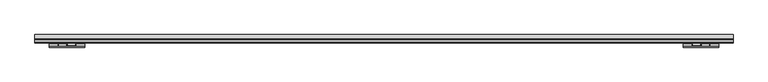
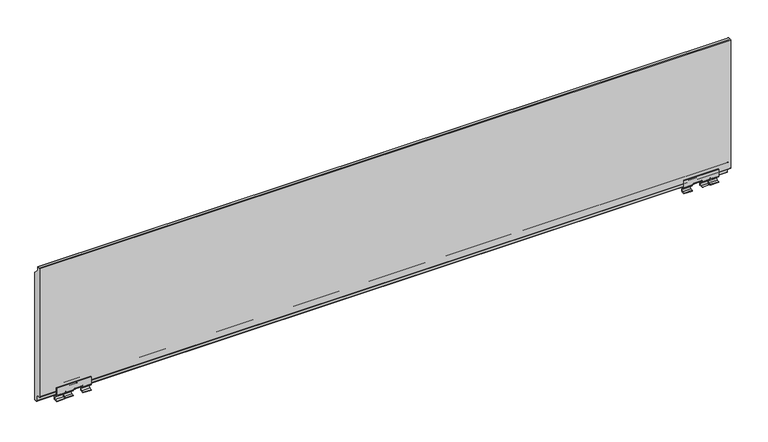
"""IFC4 building model written with IfcOpenShell, lengths in millimetres: plate geometry."""

from ifc_helpers import new_model, si_unit, point, frame, frame_2d, origin, place, context, project, spatial, polyline, circle_curve, trimmed, segment, composite_curve, outline, extrude, source, transform, mapped, element, save
from ifc_brep_helpers import plane_surface, cylinder_surface, revolved_surface, advanced_brep


def plate_a1be7d8f(model_context):
    return source(origin(), model_context, "Body", "SolidModel", [
        advanced_brep(
        [(714.0, 145.9999948, 31.5), (714.0, 145.9999948, 15.4668526), (714.0, 147.0251211, 12.9919788), (714.0, 152.777415, 7.2396849), (714.0, 151.2359876, 2.9821849), (714.0, 146.0, 2.5061856), (714.0, 146.0, 1.0), (714.0, 151.3717914, 1.4883451), (714.0, 153.8380752, 8.3003451), (714.0, 148.0857812, 14.052639), (714.0, 147.4999948, 15.4668526), (714.0, 147.4999948, 31.5), (639.0, 145.9999948, 31.5), (639.0, 147.4999948, 31.5), (639.0, 147.4999948, 15.4668526), (639.0, 148.0857812, 14.052639), (639.0, 153.8380752, 8.3003451), (639.0, 151.3717914, 1.4883451), (639.0, 146.0, 1.0), (639.0, 146.0, 2.5061856), (639.0, 151.2359876, 2.9821849), (639.0, 152.777415, 7.2396849), (639.0, 147.0251211, 12.9919788), (639.0, 145.9999948, 15.4668526), (657.0, 145.9999948, 15.4668526), (657.0, 145.9999948, 17.0), (658.0, 145.9999948, 18.0), (659.0, 145.9999948, 18.0), (675.0, 145.9999948, 18.0), (676.5, 145.9999948, 18.0), (678.0, 145.9999948, 16.5), (678.0, 145.9999948, 15.4668526), (694.0, 145.9999948, 15.4668526), (694.0, 145.9999948, 17.0), (696.0, 145.9999948, 17.0), (696.0, 145.9999948, 15.4668526), (696.0, 147.0251211, 12.9919788), (657.0, 147.0251211, 12.9919788), (678.0, 147.0251211, 12.9919788), (694.0, 147.0251211, 12.9919788), (696.0, 152.777415, 7.2396849), (657.0, 152.777415, 7.2396849), (678.0, 152.777415, 7.2396849), (694.0, 152.777415, 7.2396849), (696.0, 151.2359876, 2.9821849), (657.0, 151.2359876, 2.9821849), (678.0, 151.2359876, 2.9821849), (694.0, 151.2359876, 2.9821849), (696.0, 146.0, 2.5061856), (657.0, 146.0, 2.5061856), (678.0, 146.0, 2.5061856), (694.0, 146.0, 2.5061856), (696.0, 146.0, 1.0), (657.0, 146.0, 1.0), (678.0, 146.0, 2.2760911), (694.0, 146.0, 2.2760911), (696.0, 151.3717914, 1.4883451), (657.0, 151.3717914, 1.4883451), (696.0, 153.8380752, 8.3003451), (657.0, 153.8380752, 8.3003451), (678.0, 153.8380752, 8.3003451), (694.0, 153.8380752, 8.3003451), (694.0, 153.4152023, 2.2760911), (678.0, 153.4152023, 2.2760911), (696.0, 148.0857812, 14.052639), (657.0, 148.0857812, 14.052639), (678.0, 148.0857812, 14.052639), (694.0, 148.0857812, 14.052639), (696.0, 147.4999948, 15.4668526), (657.0, 147.4999948, 15.4668526), (678.0, 147.4999948, 15.4668526), (694.0, 147.4999948, 15.4668526), (696.0, 147.4999948, 17.0), (694.0, 147.4999948, 17.0), (678.0, 147.4999948, 16.5), (676.5, 147.4999948, 18.0), (675.0, 147.4999948, 18.0), (659.0, 147.4999948, 18.0), (658.0, 147.4999948, 18.0), (657.0, 147.4999948, 17.0), (675.0, 149.4999948, 16.0), (675.0, 147.5329983, 15.1050173), (675.0, 149.4999948, 14.5), (675.0, 162.5122327, 14.5), (675.0, 163.5122327, 13.5), (675.0, 162.9827046, 2.2610433), (675.0, 164.4813027, 2.1962053), (675.0, 165.011917, 13.460268), (675.0, 164.1630431, 15.3774518), (675.0, 164.7826556, 16.9101209), (675.0, 164.9290465, 21.0016788), (675.0, 163.4307254, 21.0726271), (675.0, 163.2845595, 16.9808581), (675.0, 162.3501888, 16.0), (659.0, 149.4999948, 16.0), (659.0, 162.3501888, 16.0), (659.0, 163.2845595, 16.9808581), (659.0, 163.4307254, 21.0726271), (659.0, 164.9290465, 21.0016788), (659.0, 164.7826556, 16.9101209), (659.0, 164.1630431, 15.3774518), (659.0, 165.011917, 13.460268), (659.0, 164.4813027, 2.1962053), (659.0, 162.9827046, 2.2610433), (659.0, 163.5122327, 13.5), (659.0, 162.5122327, 14.5), (659.0, 149.4999948, 14.5), (659.0, 147.5329983, 15.1050173)],
        [
            (0, 1),
            (1, 2, circle_curve(frame((714.0, 149.4999948, 15.4668526), z_axis=(1.0, 0.0, 0.0), x_axis=(0.0, 1.0, 0.0)), 3.5)),
            (2, 3),
            (3, 4, circle_curve(frame((714.0, 151.0096481, 5.4719179), z_axis=(-1.0, 0.0, 0.0), x_axis=(0.0, 1.0, 0.0)), 2.5)),
            (4, 5),
            (5, 6),
            (6, 7),
            (7, 8, circle_curve(frame((714.0, 151.0096481, 5.4719179), z_axis=(1.0, 0.0, 0.0), x_axis=(0.0, 1.0, 0.0)), 4.0)),
            (8, 9),
            (9, 10, circle_curve(frame((714.0, 149.4999948, 15.4668526), z_axis=(-1.0, 0.0, 0.0), x_axis=(0.0, 1.0, 0.0)), 2.0)),
            (10, 11),
            (11, 0),
            (12, 13),
            (13, 14),
            (14, 15, circle_curve(frame((639.0, 149.4999948, 15.4668526), z_axis=(1.0, 0.0, 0.0), x_axis=(0.0, 1.0, 0.0)), 2.0)),
            (15, 16),
            (16, 17, circle_curve(frame((639.0, 151.0096481, 5.4719179), z_axis=(-1.0, 0.0, 0.0), x_axis=(0.0, 1.0, 0.0)), 4.0)),
            (17, 18),
            (18, 19),
            (19, 20),
            (20, 21, circle_curve(frame((639.0, 151.0096481, 5.4719179), z_axis=(1.0, 0.0, 0.0), x_axis=(0.0, 1.0, 0.0)), 2.5)),
            (21, 22),
            (22, 23, circle_curve(frame((639.0, 149.4999948, 15.4668526), z_axis=(-1.0, 0.0, 0.0), x_axis=(0.0, 1.0, 0.0)), 3.5)),
            (23, 12),
            (0, 12),
            (23, 24),
            (24, 25),
            (25, 26, circle_curve(frame((658.0, 145.9999948, 17.0), z_axis=(0.0, 1.0, 0.0), x_axis=(-1.0, 0.0, 0.0)), 1.0)),
            (26, 27),
            (27, 28),
            (28, 29),
            (29, 30, circle_curve(frame((676.5, 145.9999948, 16.5), z_axis=(0.0, 1.0, 0.0), x_axis=(-1.0, 0.0, 0.0)), 1.5)),
            (30, 31),
            (31, 32),
            (32, 33),
            (33, 34, circle_curve(frame((695.0, 145.9999948, 17.0), z_axis=(0.0, 1.0, 0.0), x_axis=(-1.0, 0.0, 0.0)), 1.0)),
            (34, 35),
            (35, 1),
            (35, 36, circle_curve(frame((696.0, 149.4999948, 15.4668526), z_axis=(1.0, 0.0, 0.0), x_axis=(0.0, 1.0, 0.0)), 3.5)),
            (36, 2),
            (22, 37),
            (37, 24, circle_curve(frame((657.0, 149.4999948, 15.4668526), z_axis=(-1.0, 0.0, 0.0), x_axis=(0.0, 1.0, 0.0)), 3.5)),
            (31, 38, circle_curve(frame((678.0, 149.4999948, 15.4668526), z_axis=(1.0, 0.0, 0.0), x_axis=(0.0, 1.0, 0.0)), 3.5)),
            (38, 39),
            (39, 32, circle_curve(frame((694.0, 149.4999948, 15.4668526), z_axis=(-1.0, 0.0, 0.0), x_axis=(0.0, 1.0, 0.0)), 3.5)),
            (36, 40),
            (40, 3),
            (21, 41),
            (41, 37),
            (38, 42),
            (42, 43),
            (43, 39),
            (40, 44, circle_curve(frame((696.0, 151.0096481, 5.4719179), z_axis=(-1.0, 0.0, 0.0), x_axis=(0.0, 1.0, 0.0)), 2.5)),
            (44, 4),
            (20, 45),
            (45, 41, circle_curve(frame((657.0, 151.0096481, 5.4719179), z_axis=(1.0, 0.0, 0.0), x_axis=(0.0, 1.0, 0.0)), 2.5)),
            (42, 46, circle_curve(frame((678.0, 151.0096481, 5.4719179), z_axis=(-1.0, 0.0, 0.0), x_axis=(0.0, 1.0, 0.0)), 2.5)),
            (46, 47),
            (47, 43, circle_curve(frame((694.0, 151.0096481, 5.4719179), z_axis=(1.0, 0.0, 0.0), x_axis=(0.0, 1.0, 0.0)), 2.5)),
            (44, 48),
            (48, 5),
            (19, 49),
            (49, 45),
            (46, 50),
            (50, 51),
            (51, 47),
            (48, 52),
            (52, 6),
            (18, 53),
            (53, 49),
            (50, 54),
            (54, 55),
            (55, 51),
            (52, 56),
            (56, 7),
            (17, 57),
            (57, 53),
            (56, 58, circle_curve(frame((696.0, 151.0096481, 5.4719179), z_axis=(1.0, 0.0, 0.0), x_axis=(0.0, 1.0, 0.0)), 4.0)),
            (58, 8),
            (16, 59),
            (59, 57, circle_curve(frame((657.0, 151.0096481, 5.4719179), z_axis=(-1.0, 0.0, 0.0), x_axis=(0.0, 1.0, 0.0)), 4.0)),
            (60, 61),
            (61, 62, circle_curve(frame((694.0, 151.0096481, 5.4719179), z_axis=(-1.0, 0.0, 0.0), x_axis=(0.0, 1.0, 0.0)), 4.0)),
            (62, 63),
            (63, 60, circle_curve(frame((678.0, 151.0096481, 5.4719179), z_axis=(1.0, 0.0, 0.0), x_axis=(0.0, 1.0, 0.0)), 4.0)),
            (58, 64),
            (64, 9),
            (15, 65),
            (65, 59),
            (60, 66),
            (66, 67),
            (67, 61),
            (64, 68, circle_curve(frame((696.0, 149.4999948, 15.4668526), z_axis=(-1.0, 0.0, 0.0), x_axis=(0.0, 1.0, 0.0)), 2.0)),
            (68, 10),
            (14, 69),
            (69, 65, circle_curve(frame((657.0, 149.4999948, 15.4668526), z_axis=(1.0, 0.0, 0.0), x_axis=(0.0, 1.0, 0.0)), 2.0)),
            (66, 70, circle_curve(frame((678.0, 149.4999948, 15.4668526), z_axis=(-1.0, 0.0, 0.0), x_axis=(0.0, 1.0, 0.0)), 2.0)),
            (70, 71),
            (71, 67, circle_curve(frame((694.0, 149.4999948, 15.4668526), z_axis=(1.0, 0.0, 0.0), x_axis=(0.0, 1.0, 0.0)), 2.0)),
            (68, 72),
            (72, 73, circle_curve(frame((695.0, 147.4999948, 17.0), z_axis=(0.0, -1.0, 0.0), x_axis=(-1.0, 0.0, 0.0)), 1.0)),
            (73, 71),
            (70, 74),
            (74, 75, circle_curve(frame((676.5, 147.4999948, 16.5), z_axis=(0.0, -1.0, 0.0), x_axis=(-1.0, 0.0, 0.0)), 1.5)),
            (75, 76),
            (76, 77),
            (77, 78),
            (78, 79, circle_curve(frame((658.0, 147.4999948, 17.0), z_axis=(0.0, -1.0, 0.0), x_axis=(-1.0, 0.0, 0.0)), 1.0)),
            (79, 69),
            (13, 11),
            (34, 72),
            (79, 25),
            (78, 26),
            (29, 75),
            (74, 30),
            (63, 54),
            (62, 55),
            (73, 33),
            (28, 76),
            (77, 27),
            (80, 76, circle_curve(frame((675.0, 149.4999948, 18.0), z_axis=(-1.0, 0.0, 0.0), x_axis=(0.0, 1.0, 0.0)), 2.0)),
            (28, 81, circle_curve(frame((675.0, 149.4999948, 18.0), z_axis=(1.0, 0.0, 0.0), x_axis=(0.0, 1.0, 0.0)), 3.5)),
            (81, 82, circle_curve(frame((675.0, 149.4999948, 18.0), z_axis=(1.0, 0.0, 0.0), x_axis=(0.0, 1.0, 0.0)), 3.5)),
            (82, 83),
            (83, 84, circle_curve(frame((675.0, 162.5122327, 13.5), z_axis=(-1.0, 0.0, 0.0), x_axis=(0.0, 1.0, 0.0)), 1.0)),
            (84, 85),
            (85, 86),
            (86, 87),
            (87, 88, circle_curve(frame((675.0, 162.5122327, 13.5), z_axis=(1.0, 0.0, 0.0), x_axis=(0.0, 1.0, 0.0)), 2.5)),
            (88, 89, circle_curve(frame((675.0, 162.2838517, 17.0287329), z_axis=(1.0, 0.0, 0.0), x_axis=(0.0, 1.0, 0.0)), 2.5016174)),
            (89, 90),
            (90, 91),
            (91, 92),
            (92, 93, circle_curve(frame((675.0, 162.2222746, 17.0573241), z_axis=(-1.0, 0.0, 0.0), x_axis=(0.0, 1.0, 0.0)), 1.0650334)),
            (93, 80),
            (94, 95),
            (95, 96, circle_curve(frame((659.0, 162.2222746, 17.0573241), z_axis=(1.0, 0.0, 0.0), x_axis=(0.0, 1.0, 0.0)), 1.0650334)),
            (96, 97),
            (97, 98),
            (98, 99),
            (99, 100, circle_curve(frame((659.0, 162.2838517, 17.0287329), z_axis=(-1.0, 0.0, 0.0), x_axis=(0.0, 1.0, 0.0)), 2.5016174)),
            (100, 101, circle_curve(frame((659.0, 162.5122327, 13.5), z_axis=(-1.0, 0.0, 0.0), x_axis=(0.0, 1.0, 0.0)), 2.5)),
            (101, 102),
            (102, 103),
            (103, 104),
            (104, 105, circle_curve(frame((659.0, 162.5122327, 13.5), z_axis=(1.0, 0.0, 0.0), x_axis=(0.0, 1.0, 0.0)), 1.0)),
            (105, 106),
            (106, 107, circle_curve(frame((659.0, 149.4999948, 18.0), z_axis=(-1.0, 0.0, 0.0), x_axis=(0.0, 1.0, 0.0)), 3.5)),
            (107, 27, circle_curve(frame((659.0, 149.4999948, 18.0), z_axis=(-1.0, 0.0, 0.0), x_axis=(0.0, 1.0, 0.0)), 3.5)),
            (77, 94, circle_curve(frame((659.0, 149.4999948, 18.0), z_axis=(1.0, 0.0, 0.0), x_axis=(0.0, 1.0, 0.0)), 2.0)),
            (82, 106),
            (105, 83),
            (104, 84),
            (103, 85),
            (102, 86),
            (101, 87),
            (100, 88),
            (99, 89),
            (98, 90),
            (97, 91),
            (96, 92),
            (95, 93),
            (94, 80),
            (107, 81),
        ],
        [
            plane_surface(frame((714.0, 146.0, 31.5), z_axis=(1.0, 0.0, 0.0), x_axis=(0.0, 1.0, 0.0))),
            plane_surface(frame((639.0, 146.0, 31.5), z_axis=(-1.0, 0.0, 0.0), x_axis=(0.0, 1.0, 0.0))),
            plane_surface(frame((714.0, 145.9999948, 31.5), z_axis=(0.0, -1.0, 0.0), x_axis=(-1.0, 0.0, 0.0))),
            cylinder_surface(frame((714.0, 149.4999948, 15.4668526), z_axis=(1.0, 0.0, 0.0), x_axis=(0.0, 1.0, 0.0)), 3.5),
            plane_surface(frame((714.0, 147.0251211, 12.9919788), z_axis=(0.0, -0.7071067811925984, -0.7071067811804966), x_axis=(-1.0, 0.0, 0.0))),
            revolved_surface(polyline([(696.0, 153.5096481, 5.4719179), (714.0, 153.5096481, 5.4719179)]), (714.0, 151.0096481, 5.4719179), (-1.0, 0.0, 0.0)),
            revolved_surface(polyline([(639.0, 153.5096481, 5.4719179), (657.0, 153.5096481, 5.4719179)]), (714.0, 151.0096481, 5.4719179), (-1.0, 0.0, 0.0)),
            revolved_surface(polyline([(678.0, 153.5096481, 5.4719179), (694.0, 153.5096481, 5.4719179)]), (714.0, 151.0096481, 5.4719179), (-1.0, 0.0, 0.0)),
            plane_surface(frame((714.0, 151.2359876, 2.9821849), z_axis=(0.0, -0.09053583112531925, 0.9958931987329002), x_axis=(-1.0, 0.0, 0.0))),
            plane_surface(frame((714.0, 146.0, 2.5061856), z_axis=(0.0, -1.0, 0.0), x_axis=(-1.0, 0.0, 0.0))),
            plane_surface(frame((714.0, 146.0, 1.0), z_axis=(0.0, 0.09053583112531918, -0.9958931987329002), x_axis=(-1.0, 0.0, 0.0))),
            cylinder_surface(frame((714.0, 151.0096481, 5.4719179), z_axis=(1.0, 0.0, 0.0), x_axis=(0.0, 1.0, 0.0)), 4.0),
            plane_surface(frame((714.0, 153.8380752, 8.3003451), z_axis=(0.0, 0.707106781174972, 0.707106781198123), x_axis=(-1.0, 0.0, 0.0))),
            revolved_surface(polyline([(696.0, 151.4999948, 15.4668526), (714.0, 151.4999948, 15.4668526)]), (714.0, 149.4999948, 15.4668526), (-1.0, 0.0, 0.0)),
            revolved_surface(polyline([(639.0, 151.4999948, 15.4668526), (657.0, 151.4999948, 15.4668526)]), (714.0, 149.4999948, 15.4668526), (-1.0, 0.0, 0.0)),
            revolved_surface(polyline([(678.0, 151.4999948, 15.4668526), (694.0, 151.4999948, 15.4668526)]), (714.0, 149.4999948, 15.4668526), (-1.0, 0.0, 0.0)),
            plane_surface(frame((714.0, 147.4999948, 15.4668526), z_axis=(0.0, 1.0, 0.0), x_axis=(-1.0, 0.0, 0.0))),
            plane_surface(frame((714.0, 147.4999948, 31.5), z_axis=(0.0, 0.0, 1.0), x_axis=(-1.0, 0.0, 0.0))),
            plane_surface(frame((696.0, 168.7101839, 17.0), z_axis=(-1.0, 0.0, 1.8190105671722633e-12), x_axis=(0.0, -1.0, 0.0))),
            plane_surface(frame((657.0, 168.7101839, 1.0), z_axis=(1.0, 0.0, 0.0), x_axis=(0.0, -1.0, 0.0))),
            revolved_surface(polyline([(657.0, 147.4999948, 17.0), (657.0, 145.9999948, 17.0)]), (658.0, 114.0182971, 17.0), (0.0, 1.0, 0.0)),
            revolved_surface(polyline([(675.0, 147.4999948, 16.5), (675.0, 145.9999948, 16.5)]), (676.5, 114.0182971, 16.5), (0.0, 1.0, 0.0)),
            plane_surface(frame((678.0, 168.7101839, 16.5), z_axis=(-1.0, 0.0, 4.092288451932539e-12), x_axis=(0.0, -1.0, 0.0))),
            plane_surface(frame((678.0, 168.7101839, 2.2760911), z_axis=(0.0, 0.0, -1.0), x_axis=(0.0, -1.0, 0.0))),
            plane_surface(frame((694.0, 168.7101839, 2.2760911), z_axis=(1.0, 0.0, 0.0), x_axis=(0.0, -1.0, 0.0))),
            revolved_surface(polyline([(694.0, 147.4999948, 17.0), (694.0, 145.9999948, 17.0)]), (695.0, 114.0182971, 17.0), (0.0, 1.0, 0.0)),
            plane_surface(frame((658.0, 168.7101839, 18.0), z_axis=(-1.5730840053947424e-12, 0.0, -1.0), x_axis=(0.0, -1.0, 0.0))),
            plane_surface(frame((675.0, 146.0, 21.0), z_axis=(1.0, 0.0, 0.0), x_axis=(0.0, 1.0, 0.0))),
            plane_surface(frame((659.0, 146.0, 21.0), z_axis=(-1.0, 0.0, 0.0), x_axis=(0.0, 1.0, 0.0))),
            plane_surface(frame((675.0, 149.4999948, 14.5), z_axis=(0.0, 0.0, -1.0), x_axis=(-1.0, 0.0, 0.0))),
            revolved_surface(polyline([(659.0, 163.5122327, 13.5), (675.0, 163.5122327, 13.5)]), (675.0, 162.5122327, 13.5), (-1.0, 0.0, 0.0)),
            plane_surface(frame((675.0, 163.5122327, 13.5), z_axis=(0.0, -0.9988919134544821, 0.04706320468522484), x_axis=(-1.0, 0.0, 0.0))),
            plane_surface(frame((675.0, 162.9827046, 2.2610433), z_axis=(0.0, -0.043225347627194544, -0.9990653478739557), x_axis=(-1.0, 0.0, 0.0))),
            plane_surface(frame((675.0, 164.4813027, 2.1962053), z_axis=(0.0, 0.9988923163391343, -0.04705465289043034), x_axis=(-1.0, 0.0, 0.0))),
            cylinder_surface(frame((675.0, 162.5122327, 13.5), z_axis=(1.0, 0.0, 0.0), x_axis=(0.0, 1.0, 0.0)), 2.5),
            cylinder_surface(frame((675.0, 162.2838517, 17.0287329), z_axis=(1.0, 0.0, 0.0), x_axis=(0.0, 1.0, 0.0)), 2.5016174),
            plane_surface(frame((675.0, 164.7826556, 16.9101209), z_axis=(0.0, 0.9993605534215647, -0.03575589832382789), x_axis=(-1.0, 0.0, 0.0))),
            plane_surface(frame((675.0, 164.9290465, 21.0016788), z_axis=(0.0, 0.04729883716213145, 0.9988807836789685), x_axis=(-1.0, 0.0, 0.0))),
            plane_surface(frame((675.0, 163.4307254, 21.0726271), z_axis=(0.0, -0.9993625820108536, 0.03569915512445818), x_axis=(-1.0, 0.0, 0.0))),
            revolved_surface(polyline([(659.0, 163.287308, 17.0573241), (675.0, 163.287308, 17.0573241)]), (675.0, 162.2222746, 17.0573241), (-1.0, 0.0, 0.0)),
            plane_surface(frame((675.0, 162.3501888, 16.0), z_axis=(0.0, 0.0, 1.0), x_axis=(-1.0, 0.0, 0.0))),
            revolved_surface(polyline([(659.0, 151.4999948, 18.0), (675.0, 151.4999948, 18.0)]), (675.0, 149.4999948, 18.0), (-1.0, 0.0, 0.0)),
            cylinder_surface(frame((675.0, 149.4999948, 18.0), z_axis=(1.0, 0.0, 0.0), x_axis=(0.0, 1.0, 0.0)), 3.5),
        ],
        [
            (0, [[1, 2, 3, 4, 5, 6, 7, 8, 9, 10, 11, 12]]),
            (1, [[13, 14, 15, 16, 17, 18, 19, 20, 21, 22, 23, 24]]),
            (2, [[-1, 25, -24, 26, 27, 28, 29, 30, 31, 32, 33, 34, 35, 36, 37, 38]]),
            (3, [[-2, -38, 39, 40]]),
            (3, [[-23, 41, 42, -26]]),
            (3, [[-34, 43, 44, 45]]),
            (4, [[-3, -40, 46, 47]]),
            (4, [[-22, 48, 49, -41]]),
            (4, [[-44, 50, 51, 52]]),
            (5, [[-4, -47, 53, 54]]),
            (6, [[-21, 55, 56, -48]]),
            (7, [[-51, 57, 58, 59]]),
            (8, [[-5, -54, 60, 61]]),
            (8, [[-20, 62, 63, -55]]),
            (8, [[-58, 64, 65, 66]]),
            (9, [[-6, -61, 67, 68]]),
            (9, [[-19, 69, 70, -62]]),
            (9, [[-65, 71, 72, 73]]),
            (10, [[-7, -68, 74, 75]]),
            (10, [[-18, 76, 77, -69]]),
            (11, [[-8, -75, 78, 79]]),
            (11, [[-17, 80, 81, -76]]),
            (11, [[82, 83, 84, 85]]),
            (12, [[-9, -79, 86, 87]]),
            (12, [[-16, 88, 89, -80]]),
            (12, [[-82, 90, 91, 92]]),
            (13, [[-10, -87, 93, 94]]),
            (14, [[-15, 95, 96, -88]]),
            (15, [[-91, 97, 98, 99]]),
            (16, [[-11, -94, 100, 101, 102, -98, 103, 104, 105, 106, 107, 108, 109, -95, -14, 110]]),
            (17, [[-12, -110, -13, -25]]),
            (18, [[111, -100, -93, -86, -78, -74, -67, -60, -53, -46, -39, -37]]),
            (19, [[112, -27, -42, -49, -56, -63, -70, -77, -81, -89, -96, -109]]),
            (20, [[-112, -108, 113, -28]]),
            (21, [[114, -104, 115, -32]]),
            (22, [[-115, -103, -97, -90, -85, 116, -71, -64, -57, -50, -43, -33]]),
            (23, [[-116, -84, 117, -72]]),
            (24, [[-117, -83, -92, -99, -102, 118, -35, -45, -52, -59, -66, -73]]),
            (25, [[-111, -36, -118, -101]]),
            (26, [[-114, -31, 119, -105]]),
            (26, [[-113, -107, 120, -29]]),
            (27, [[121, -119, 122, 123, 124, 125, 126, 127, 128, 129, 130, 131, 132, 133, 134, 135]]),
            (28, [[136, 137, 138, 139, 140, 141, 142, 143, 144, 145, 146, 147, 148, 149, -120, 150]]),
            (29, [[-124, 151, -147, 152]]),
            (30, [[-125, -152, -146, 153]]),
            (31, [[-126, -153, -145, 154]]),
            (32, [[-127, -154, -144, 155]]),
            (33, [[-128, -155, -143, 156]]),
            (34, [[-129, -156, -142, 157]]),
            (35, [[-130, -157, -141, 158]]),
            (36, [[-131, -158, -140, 159]]),
            (37, [[-132, -159, -139, 160]]),
            (38, [[-133, -160, -138, 161]]),
            (39, [[-134, -161, -137, 162]]),
            (40, [[-135, -162, -136, 163]]),
            (41, [[-121, -163, -150, -106]]),
            (42, [[-122, -30, -149, 164]]),
            (42, [[-123, -164, -148, -151]]),
        ],
    ),
        advanced_brep(
        [(-714.0, 145.9999948, 31.5), (-714.0, 147.4999948, 31.5), (-714.0, 147.4999948, 15.4668526), (-714.0, 148.0857812, 14.052639), (-714.0, 153.8380752, 8.3003451), (-714.0, 151.3717914, 1.4883451), (-714.0, 146.0, 1.0), (-714.0, 146.0, 2.5061856), (-714.0, 151.2359876, 2.9821849), (-714.0, 152.777415, 7.2396849), (-714.0, 147.0251211, 12.9919788), (-714.0, 145.9999948, 15.4668526), (-639.0, 145.9999948, 31.5), (-639.0, 145.9999948, 15.4668526), (-639.0, 147.0251211, 12.9919788), (-639.0, 152.777415, 7.2396849), (-639.0, 151.2359876, 2.9821849), (-639.0, 146.0, 2.5061856), (-639.0, 146.0, 1.0), (-639.0, 151.3717914, 1.4883451), (-639.0, 153.8380752, 8.3003451), (-639.0, 148.0857812, 14.052639), (-639.0, 147.4999948, 15.4668526), (-639.0, 147.4999948, 31.5), (-696.0, 145.9999948, 15.4668526), (-696.0, 145.9999948, 17.0), (-694.0, 145.9999948, 17.0), (-694.0, 145.9999948, 15.4668526), (-678.0, 145.9999948, 15.4668526), (-678.0, 145.9999948, 16.5), (-676.5, 145.9999948, 18.0), (-675.0, 145.9999948, 18.0), (-659.0, 145.9999948, 18.0), (-658.0, 145.9999948, 18.0), (-657.0, 145.9999948, 17.0), (-657.0, 145.9999948, 15.4668526), (-657.0, 147.0251211, 12.9919788), (-694.0, 147.0251211, 12.9919788), (-678.0, 147.0251211, 12.9919788), (-696.0, 147.0251211, 12.9919788), (-657.0, 152.777415, 7.2396849), (-694.0, 152.777415, 7.2396849), (-678.0, 152.777415, 7.2396849), (-696.0, 152.777415, 7.2396849), (-657.0, 151.2359876, 2.9821849), (-694.0, 151.2359876, 2.9821849), (-678.0, 151.2359876, 2.9821849), (-696.0, 151.2359876, 2.9821849), (-657.0, 146.0, 2.5061856), (-694.0, 146.0, 2.5061856), (-678.0, 146.0, 2.5061856), (-696.0, 146.0, 2.5061856), (-657.0, 146.0, 1.0), (-694.0, 146.0, 2.2760911), (-678.0, 146.0, 2.2760911), (-696.0, 146.0, 1.0), (-657.0, 151.3717914, 1.4883451), (-696.0, 151.3717914, 1.4883451), (-657.0, 153.8380752, 8.3003451), (-678.0, 153.8380752, 8.3003451), (-678.0, 153.4152023, 2.2760911), (-694.0, 153.4152023, 2.2760911), (-694.0, 153.8380752, 8.3003451), (-696.0, 153.8380752, 8.3003451), (-657.0, 148.0857812, 14.052639), (-694.0, 148.0857812, 14.052639), (-678.0, 148.0857812, 14.052639), (-696.0, 148.0857812, 14.052639), (-657.0, 147.4999948, 15.4668526), (-694.0, 147.4999948, 15.4668526), (-678.0, 147.4999948, 15.4668526), (-696.0, 147.4999948, 15.4668526), (-657.0, 147.4999948, 17.0), (-658.0, 147.4999948, 18.0), (-659.0, 147.4999948, 18.0), (-675.0, 147.4999948, 18.0), (-676.5, 147.4999948, 18.0), (-678.0, 147.4999948, 16.5), (-694.0, 147.4999948, 17.0), (-696.0, 147.4999948, 17.0), (-675.0, 149.4999948, 16.0), (-675.0, 162.3501888, 16.0), (-675.0, 163.2845595, 16.9808581), (-675.0, 163.4307254, 21.0726271), (-675.0, 164.9290465, 21.0016788), (-675.0, 164.7826556, 16.9101209), (-675.0, 164.1630431, 15.3774518), (-675.0, 165.011917, 13.460268), (-675.0, 164.4813027, 2.1962053), (-675.0, 162.9827046, 2.2610433), (-675.0, 163.5122327, 13.5), (-675.0, 162.5122327, 14.5), (-675.0, 149.4999948, 14.5), (-675.0, 147.5329983, 15.1050173), (-659.0, 149.4999948, 16.0), (-659.0, 147.5329983, 15.1050173), (-659.0, 149.4999948, 14.5), (-659.0, 162.5122327, 14.5), (-659.0, 163.5122327, 13.5), (-659.0, 162.9827046, 2.2610433), (-659.0, 164.4813027, 2.1962053), (-659.0, 165.011917, 13.460268), (-659.0, 164.1630431, 15.3774518), (-659.0, 164.7826556, 16.9101209), (-659.0, 164.9290465, 21.0016788), (-659.0, 163.4307254, 21.0726271), (-659.0, 163.2845595, 16.9808581), (-659.0, 162.3501888, 16.0)],
        [
            (0, 1),
            (1, 2),
            (2, 3, circle_curve(frame((-714.0, 149.4999948, 15.4668526), z_axis=(1.0, 0.0, 0.0), x_axis=(0.0, 1.0, 0.0)), 2.0)),
            (3, 4),
            (4, 5, circle_curve(frame((-714.0, 151.0096481, 5.4719179), z_axis=(-1.0, 0.0, 0.0), x_axis=(0.0, 1.0, 0.0)), 4.0)),
            (5, 6),
            (6, 7),
            (7, 8),
            (8, 9, circle_curve(frame((-714.0, 151.0096481, 5.4719179), z_axis=(1.0, 0.0, 0.0), x_axis=(0.0, 1.0, 0.0)), 2.5)),
            (9, 10),
            (10, 11, circle_curve(frame((-714.0, 149.4999948, 15.4668526), z_axis=(-1.0, 0.0, 0.0), x_axis=(0.0, 1.0, 0.0)), 3.5)),
            (11, 0),
            (12, 13),
            (13, 14, circle_curve(frame((-639.0, 149.4999948, 15.4668526), z_axis=(1.0, 0.0, 0.0), x_axis=(0.0, 1.0, 0.0)), 3.5)),
            (14, 15),
            (15, 16, circle_curve(frame((-639.0, 151.0096481, 5.4719179), z_axis=(-1.0, 0.0, 0.0), x_axis=(0.0, 1.0, 0.0)), 2.5)),
            (16, 17),
            (17, 18),
            (18, 19),
            (19, 20, circle_curve(frame((-639.0, 151.0096481, 5.4719179), z_axis=(1.0, 0.0, 0.0), x_axis=(0.0, 1.0, 0.0)), 4.0)),
            (20, 21),
            (21, 22, circle_curve(frame((-639.0, 149.4999948, 15.4668526), z_axis=(-1.0, 0.0, 0.0), x_axis=(0.0, 1.0, 0.0)), 2.0)),
            (22, 23),
            (23, 12),
            (11, 24),
            (24, 25),
            (25, 26, circle_curve(frame((-695.0, 145.9999948, 17.0), z_axis=(0.0, 1.0, 0.0), x_axis=(1.0, 0.0, 0.0)), 1.0)),
            (26, 27),
            (27, 28),
            (28, 29),
            (29, 30, circle_curve(frame((-676.5, 145.9999948, 16.5), z_axis=(0.0, 1.0, 0.0), x_axis=(1.0, 0.0, 0.0)), 1.5)),
            (30, 31),
            (31, 32),
            (32, 33),
            (33, 34, circle_curve(frame((-658.0, 145.9999948, 17.0), z_axis=(0.0, 1.0, 0.0), x_axis=(1.0, 0.0, 0.0)), 1.0)),
            (34, 35),
            (35, 13),
            (12, 0),
            (35, 36, circle_curve(frame((-657.0, 149.4999948, 15.4668526), z_axis=(1.0, 0.0, 0.0), x_axis=(0.0, 1.0, 0.0)), 3.5)),
            (36, 14),
            (27, 37, circle_curve(frame((-694.0, 149.4999948, 15.4668526), z_axis=(1.0, 0.0, 0.0), x_axis=(0.0, 1.0, 0.0)), 3.5)),
            (37, 38),
            (38, 28, circle_curve(frame((-678.0, 149.4999948, 15.4668526), z_axis=(-1.0, 0.0, 0.0), x_axis=(0.0, 1.0, 0.0)), 3.5)),
            (10, 39),
            (39, 24, circle_curve(frame((-696.0, 149.4999948, 15.4668526), z_axis=(-1.0, 0.0, 0.0), x_axis=(0.0, 1.0, 0.0)), 3.5)),
            (36, 40),
            (40, 15),
            (37, 41),
            (41, 42),
            (42, 38),
            (9, 43),
            (43, 39),
            (40, 44, circle_curve(frame((-657.0, 151.0096481, 5.4719179), z_axis=(-1.0, 0.0, 0.0), x_axis=(0.0, 1.0, 0.0)), 2.5)),
            (44, 16),
            (41, 45, circle_curve(frame((-694.0, 151.0096481, 5.4719179), z_axis=(-1.0, 0.0, 0.0), x_axis=(0.0, 1.0, 0.0)), 2.5)),
            (45, 46),
            (46, 42, circle_curve(frame((-678.0, 151.0096481, 5.4719179), z_axis=(1.0, 0.0, 0.0), x_axis=(0.0, 1.0, 0.0)), 2.5)),
            (8, 47),
            (47, 43, circle_curve(frame((-696.0, 151.0096481, 5.4719179), z_axis=(1.0, 0.0, 0.0), x_axis=(0.0, 1.0, 0.0)), 2.5)),
            (44, 48),
            (48, 17),
            (45, 49),
            (49, 50),
            (50, 46),
            (7, 51),
            (51, 47),
            (48, 52),
            (52, 18),
            (49, 53),
            (53, 54),
            (54, 50),
            (6, 55),
            (55, 51),
            (52, 56),
            (56, 19),
            (5, 57),
            (57, 55),
            (56, 58, circle_curve(frame((-657.0, 151.0096481, 5.4719179), z_axis=(1.0, 0.0, 0.0), x_axis=(0.0, 1.0, 0.0)), 4.0)),
            (58, 20),
            (59, 60, circle_curve(frame((-678.0, 151.0096481, 5.4719179), z_axis=(-1.0, 0.0, 0.0), x_axis=(0.0, 1.0, 0.0)), 4.0)),
            (60, 61),
            (61, 62, circle_curve(frame((-694.0, 151.0096481, 5.4719179), z_axis=(1.0, 0.0, 0.0), x_axis=(0.0, 1.0, 0.0)), 4.0)),
            (62, 59),
            (4, 63),
            (63, 57, circle_curve(frame((-696.0, 151.0096481, 5.4719179), z_axis=(-1.0, 0.0, 0.0), x_axis=(0.0, 1.0, 0.0)), 4.0)),
            (58, 64),
            (64, 21),
            (62, 65),
            (65, 66),
            (66, 59),
            (3, 67),
            (67, 63),
            (64, 68, circle_curve(frame((-657.0, 149.4999948, 15.4668526), z_axis=(-1.0, 0.0, 0.0), x_axis=(0.0, 1.0, 0.0)), 2.0)),
            (68, 22),
            (65, 69, circle_curve(frame((-694.0, 149.4999948, 15.4668526), z_axis=(-1.0, 0.0, 0.0), x_axis=(0.0, 1.0, 0.0)), 2.0)),
            (69, 70),
            (70, 66, circle_curve(frame((-678.0, 149.4999948, 15.4668526), z_axis=(1.0, 0.0, 0.0), x_axis=(0.0, 1.0, 0.0)), 2.0)),
            (2, 71),
            (71, 67, circle_curve(frame((-696.0, 149.4999948, 15.4668526), z_axis=(1.0, 0.0, 0.0), x_axis=(0.0, 1.0, 0.0)), 2.0)),
            (1, 23),
            (68, 72),
            (72, 73, circle_curve(frame((-658.0, 147.4999948, 17.0), z_axis=(0.0, -1.0, 0.0), x_axis=(1.0, 0.0, 0.0)), 1.0)),
            (73, 74),
            (74, 75),
            (75, 76),
            (76, 77, circle_curve(frame((-676.5, 147.4999948, 16.5), z_axis=(0.0, -1.0, 0.0), x_axis=(1.0, 0.0, 0.0)), 1.5)),
            (77, 70),
            (69, 78),
            (78, 79, circle_curve(frame((-695.0, 147.4999948, 17.0), z_axis=(0.0, -1.0, 0.0), x_axis=(1.0, 0.0, 0.0)), 1.0)),
            (79, 71),
            (79, 25),
            (34, 72),
            (33, 73),
            (29, 77),
            (76, 30),
            (54, 60),
            (53, 61),
            (26, 78),
            (32, 74),
            (75, 31),
            (80, 81),
            (81, 82, circle_curve(frame((-675.0, 162.2222746, 17.0573241), z_axis=(1.0, 0.0, 0.0), x_axis=(0.0, 1.0, 0.0)), 1.0650334)),
            (82, 83),
            (83, 84),
            (84, 85),
            (85, 86, circle_curve(frame((-675.0, 162.2838517, 17.0287329), z_axis=(-1.0, 0.0, 0.0), x_axis=(0.0, 1.0, 0.0)), 2.5016174)),
            (86, 87, circle_curve(frame((-675.0, 162.5122327, 13.5), z_axis=(-1.0, 0.0, 0.0), x_axis=(0.0, 1.0, 0.0)), 2.5)),
            (87, 88),
            (88, 89),
            (89, 90),
            (90, 91, circle_curve(frame((-675.0, 162.5122327, 13.5), z_axis=(1.0, 0.0, 0.0), x_axis=(0.0, 1.0, 0.0)), 1.0)),
            (91, 92),
            (92, 93, circle_curve(frame((-675.0, 149.4999948, 18.0), z_axis=(-1.0, 0.0, 0.0), x_axis=(0.0, 1.0, 0.0)), 3.5)),
            (93, 31, circle_curve(frame((-675.0, 149.4999948, 18.0), z_axis=(-1.0, 0.0, 0.0), x_axis=(0.0, 1.0, 0.0)), 3.5)),
            (75, 80, circle_curve(frame((-675.0, 149.4999948, 18.0), z_axis=(1.0, 0.0, 0.0), x_axis=(0.0, 1.0, 0.0)), 2.0)),
            (94, 74, circle_curve(frame((-659.0, 149.4999948, 18.0), z_axis=(-1.0, 0.0, 0.0), x_axis=(0.0, 1.0, 0.0)), 2.0)),
            (32, 95, circle_curve(frame((-659.0, 149.4999948, 18.0), z_axis=(1.0, 0.0, 0.0), x_axis=(0.0, 1.0, 0.0)), 3.5)),
            (95, 96, circle_curve(frame((-659.0, 149.4999948, 18.0), z_axis=(1.0, 0.0, 0.0), x_axis=(0.0, 1.0, 0.0)), 3.5)),
            (96, 97),
            (97, 98, circle_curve(frame((-659.0, 162.5122327, 13.5), z_axis=(-1.0, 0.0, 0.0), x_axis=(0.0, 1.0, 0.0)), 1.0)),
            (98, 99),
            (99, 100),
            (100, 101),
            (101, 102, circle_curve(frame((-659.0, 162.5122327, 13.5), z_axis=(1.0, 0.0, 0.0), x_axis=(0.0, 1.0, 0.0)), 2.5)),
            (102, 103, circle_curve(frame((-659.0, 162.2838517, 17.0287329), z_axis=(1.0, 0.0, 0.0), x_axis=(0.0, 1.0, 0.0)), 2.5016174)),
            (103, 104),
            (104, 105),
            (105, 106),
            (106, 107, circle_curve(frame((-659.0, 162.2222746, 17.0573241), z_axis=(-1.0, 0.0, 0.0), x_axis=(0.0, 1.0, 0.0)), 1.0650334)),
            (107, 94),
            (91, 97),
            (96, 92),
            (90, 98),
            (89, 99),
            (88, 100),
            (87, 101),
            (86, 102),
            (85, 103),
            (84, 104),
            (83, 105),
            (82, 106),
            (81, 107),
            (80, 94),
            (93, 95),
        ],
        [
            plane_surface(frame((-714.0, 146.0, 31.5), z_axis=(-1.0, 0.0, 0.0), x_axis=(0.0, 1.0, 0.0))),
            plane_surface(frame((-639.0, 146.0, 31.5), z_axis=(1.0, 0.0, 0.0), x_axis=(0.0, 1.0, 0.0))),
            plane_surface(frame((-714.0, 145.9999948, 31.5), z_axis=(0.0, -1.0, 0.0), x_axis=(1.0, 0.0, 0.0))),
            cylinder_surface(frame((-714.0, 149.4999948, 15.4668526), z_axis=(-1.0, 0.0, 0.0), x_axis=(0.0, 1.0, 0.0)), 3.5),
            plane_surface(frame((-714.0, 147.0251211, 12.9919788), z_axis=(0.0, -0.7071067811925984, -0.7071067811804966), x_axis=(1.0, 0.0, 0.0))),
            revolved_surface(polyline([(-639.0, 153.5096481, 5.4719179), (-657.0, 153.5096481, 5.4719179)]), (-714.0, 151.0096481, 5.4719179), (1.0, 0.0, 0.0)),
            revolved_surface(polyline([(-678.0, 153.5096481, 5.4719179), (-694.0, 153.5096481, 5.4719179)]), (-714.0, 151.0096481, 5.4719179), (1.0, 0.0, 0.0)),
            revolved_surface(polyline([(-696.0, 153.5096481, 5.4719179), (-714.0, 153.5096481, 5.4719179)]), (-714.0, 151.0096481, 5.4719179), (1.0, 0.0, 0.0)),
            plane_surface(frame((-714.0, 151.2359876, 2.9821849), z_axis=(0.0, -0.09053583112531925, 0.9958931987329002), x_axis=(1.0, 0.0, 0.0))),
            plane_surface(frame((-714.0, 146.0, 2.5061856), z_axis=(0.0, -1.0, 0.0), x_axis=(1.0, 0.0, 0.0))),
            plane_surface(frame((-714.0, 146.0, 1.0), z_axis=(0.0, 0.09053583112531918, -0.9958931987329002), x_axis=(1.0, 0.0, 0.0))),
            cylinder_surface(frame((-714.0, 151.0096481, 5.4719179), z_axis=(-1.0, 0.0, 0.0), x_axis=(0.0, 1.0, 0.0)), 4.0),
            plane_surface(frame((-714.0, 153.8380752, 8.3003451), z_axis=(0.0, 0.707106781174972, 0.707106781198123), x_axis=(1.0, 0.0, 0.0))),
            revolved_surface(polyline([(-639.0, 151.4999948, 15.4668526), (-657.0, 151.4999948, 15.4668526)]), (-714.0, 149.4999948, 15.4668526), (1.0, 0.0, 0.0)),
            revolved_surface(polyline([(-678.0, 151.4999948, 15.4668526), (-694.0, 151.4999948, 15.4668526)]), (-714.0, 149.4999948, 15.4668526), (1.0, 0.0, 0.0)),
            revolved_surface(polyline([(-696.0, 151.4999948, 15.4668526), (-714.0, 151.4999948, 15.4668526)]), (-714.0, 149.4999948, 15.4668526), (1.0, 0.0, 0.0)),
            plane_surface(frame((-714.0, 147.4999948, 15.4668526), z_axis=(0.0, 1.0, 0.0), x_axis=(1.0, 0.0, 0.0))),
            plane_surface(frame((-714.0, 147.4999948, 31.5), z_axis=(0.0, 0.0, 1.0), x_axis=(1.0, 0.0, 0.0))),
            plane_surface(frame((-696.0, 168.7101839, 17.0), z_axis=(1.0, 0.0, 1.8190105671722633e-12), x_axis=(0.0, -1.0, 0.0))),
            plane_surface(frame((-657.0, 168.7101839, 1.0), z_axis=(-1.0, 0.0, 0.0), x_axis=(0.0, -1.0, 0.0))),
            revolved_surface(polyline([(-657.0, 147.4999948, 17.0), (-657.0, 145.9999948, 17.0)]), (-658.0, 114.0182971, 17.0), (0.0, 1.0, 0.0)),
            revolved_surface(polyline([(-675.0, 147.4999948, 16.5), (-675.0, 145.9999948, 16.5)]), (-676.5, 114.0182971, 16.5), (0.0, 1.0, 0.0)),
            plane_surface(frame((-678.0, 168.7101839, 16.5), z_axis=(1.0, 0.0, 4.092288451932539e-12), x_axis=(0.0, -1.0, 0.0))),
            plane_surface(frame((-678.0, 168.7101839, 2.2760911), z_axis=(0.0, 0.0, -1.0), x_axis=(0.0, -1.0, 0.0))),
            plane_surface(frame((-694.0, 168.7101839, 2.2760911), z_axis=(-1.0, 0.0, 0.0), x_axis=(0.0, -1.0, 0.0))),
            revolved_surface(polyline([(-694.0, 147.4999948, 17.0), (-694.0, 145.9999948, 17.0)]), (-695.0, 114.0182971, 17.0), (0.0, 1.0, 0.0)),
            plane_surface(frame((-658.0, 168.7101839, 18.0), z_axis=(1.5730840053947424e-12, 0.0, -1.0), x_axis=(0.0, -1.0, 0.0))),
            plane_surface(frame((-675.0, 146.0, 21.0), z_axis=(-1.0, 0.0, 0.0), x_axis=(0.0, 1.0, 0.0))),
            plane_surface(frame((-659.0, 146.0, 21.0), z_axis=(1.0, 0.0, 0.0), x_axis=(0.0, 1.0, 0.0))),
            plane_surface(frame((-675.0, 149.4999948, 14.5), z_axis=(0.0, 0.0, -1.0), x_axis=(1.0, 0.0, 0.0))),
            revolved_surface(polyline([(-659.0, 163.5122327, 13.5), (-675.0, 163.5122327, 13.5)]), (-675.0, 162.5122327, 13.5), (1.0, 0.0, 0.0)),
            plane_surface(frame((-675.0, 163.5122327, 13.5), z_axis=(0.0, -0.9988919134544821, 0.04706320468522484), x_axis=(1.0, 0.0, 0.0))),
            plane_surface(frame((-675.0, 162.9827046, 2.2610433), z_axis=(0.0, -0.043225347627194544, -0.9990653478739557), x_axis=(1.0, 0.0, 0.0))),
            plane_surface(frame((-675.0, 164.4813027, 2.1962053), z_axis=(0.0, 0.9988923163391343, -0.04705465289043034), x_axis=(1.0, 0.0, 0.0))),
            cylinder_surface(frame((-675.0, 162.5122327, 13.5), z_axis=(-1.0, 0.0, 0.0), x_axis=(0.0, 1.0, 0.0)), 2.5),
            cylinder_surface(frame((-675.0, 162.2838517, 17.0287329), z_axis=(-1.0, 0.0, 0.0), x_axis=(0.0, 1.0, 0.0)), 2.5016174),
            plane_surface(frame((-675.0, 164.7826556, 16.9101209), z_axis=(0.0, 0.9993605534215647, -0.03575589832382789), x_axis=(1.0, 0.0, 0.0))),
            plane_surface(frame((-675.0, 164.9290465, 21.0016788), z_axis=(0.0, 0.04729883716213145, 0.9988807836789685), x_axis=(1.0, 0.0, 0.0))),
            plane_surface(frame((-675.0, 163.4307254, 21.0726271), z_axis=(0.0, -0.9993625820108536, 0.03569915512445818), x_axis=(1.0, 0.0, 0.0))),
            revolved_surface(polyline([(-659.0, 163.287308, 17.0573241), (-675.0, 163.287308, 17.0573241)]), (-675.0, 162.2222746, 17.0573241), (1.0, 0.0, 0.0)),
            plane_surface(frame((-675.0, 162.3501888, 16.0), z_axis=(0.0, 0.0, 1.0), x_axis=(1.0, 0.0, 0.0))),
            revolved_surface(polyline([(-659.0, 151.4999948, 18.0), (-675.0, 151.4999948, 18.0)]), (-675.0, 149.4999948, 18.0), (1.0, 0.0, 0.0)),
            cylinder_surface(frame((-675.0, 149.4999948, 18.0), z_axis=(-1.0, 0.0, 0.0), x_axis=(0.0, 1.0, 0.0)), 3.5),
        ],
        [
            (0, [[1, 2, 3, 4, 5, 6, 7, 8, 9, 10, 11, 12]]),
            (1, [[13, 14, 15, 16, 17, 18, 19, 20, 21, 22, 23, 24]]),
            (2, [[25, 26, 27, 28, 29, 30, 31, 32, 33, 34, 35, 36, 37, -13, 38, -12]]),
            (3, [[-37, 39, 40, -14]]),
            (3, [[41, 42, 43, -29]]),
            (3, [[44, 45, -25, -11]]),
            (4, [[-40, 46, 47, -15]]),
            (4, [[48, 49, 50, -42]]),
            (4, [[51, 52, -44, -10]]),
            (5, [[-47, 53, 54, -16]]),
            (6, [[55, 56, 57, -49]]),
            (7, [[58, 59, -51, -9]]),
            (8, [[-54, 60, 61, -17]]),
            (8, [[62, 63, 64, -56]]),
            (8, [[65, 66, -58, -8]]),
            (9, [[-61, 67, 68, -18]]),
            (9, [[69, 70, 71, -63]]),
            (9, [[72, 73, -65, -7]]),
            (10, [[-68, 74, 75, -19]]),
            (10, [[76, 77, -72, -6]]),
            (11, [[-75, 78, 79, -20]]),
            (11, [[80, 81, 82, 83]]),
            (11, [[84, 85, -76, -5]]),
            (12, [[-79, 86, 87, -21]]),
            (12, [[88, 89, 90, -83]]),
            (12, [[91, 92, -84, -4]]),
            (13, [[-87, 93, 94, -22]]),
            (14, [[95, 96, 97, -89]]),
            (15, [[98, 99, -91, -3]]),
            (16, [[100, -23, -94, 101, 102, 103, 104, 105, 106, 107, -96, 108, 109, 110, -98, -2]]),
            (17, [[-38, -24, -100, -1]]),
            (18, [[-26, -45, -52, -59, -66, -73, -77, -85, -92, -99, -110, 111]]),
            (19, [[-101, -93, -86, -78, -74, -67, -60, -53, -46, -39, -36, 112]]),
            (20, [[-35, 113, -102, -112]]),
            (21, [[-31, 114, -106, 115]]),
            (22, [[-30, -43, -50, -57, -64, -71, 116, -80, -90, -97, -107, -114]]),
            (23, [[-70, 117, -81, -116]]),
            (24, [[-69, -62, -55, -48, -41, -28, 118, -108, -95, -88, -82, -117]]),
            (25, [[-109, -118, -27, -111]]),
            (26, [[-34, 119, -103, -113]]),
            (26, [[-105, 120, -32, -115]]),
            (27, [[121, 122, 123, 124, 125, 126, 127, 128, 129, 130, 131, 132, 133, 134, -120, 135]]),
            (28, [[136, -119, 137, 138, 139, 140, 141, 142, 143, 144, 145, 146, 147, 148, 149, 150]]),
            (29, [[151, -139, 152, -132]]),
            (30, [[153, -140, -151, -131]]),
            (31, [[154, -141, -153, -130]]),
            (32, [[155, -142, -154, -129]]),
            (33, [[156, -143, -155, -128]]),
            (34, [[157, -144, -156, -127]]),
            (35, [[158, -145, -157, -126]]),
            (36, [[159, -146, -158, -125]]),
            (37, [[160, -147, -159, -124]]),
            (38, [[161, -148, -160, -123]]),
            (39, [[162, -149, -161, -122]]),
            (40, [[163, -150, -162, -121]]),
            (41, [[-104, -136, -163, -135]]),
            (42, [[164, -137, -33, -134]]),
            (42, [[-152, -138, -164, -133]]),
        ],
    ),
        extrude(outline(composite_curve([segment(polyline([(171.9, 0.0), (168.0121462, 0.0)]), True, "CONTINUOUS"), segment(trimmed(circle_curve(frame_2d((168.0121462, 1.1)), 1.1), [point((168.0121462, 0.0))], [point((166.9159458, 1.00865))], False, "CARTESIAN"), True, "CONTINUOUS"), segment(polyline([(166.9159458, 1.00865), (165.0, 23.5)]), True, "CONTINUOUS"), segment(trimmed(circle_curve(frame_2d((164.0, 23.5)), 1.0), [point((165.0, 23.5))], [point((163.0, 23.5))], True, "CARTESIAN"), True, "CONTINUOUS"), segment(polyline([(163.0, 23.5), (162.1204452, 16.9635618)]), True, "CONTINUOUS"), segment(trimmed(circle_curve(frame_2d((161.0289396, 17.1)), 1.1), [point((162.1204452, 16.9635618))], [point((161.0289396, 16.0))], False, "CARTESIAN"), True, "CONTINUOUS"), segment(polyline([(161.0289396, 16.0), (156.1, 16.0)]), True, "CONTINUOUS"), segment(trimmed(circle_curve(frame_2d((156.1, 17.1)), 1.1), [point((156.1, 16.0))], [point((155.0, 17.1))], False, "CARTESIAN"), True, "CONTINUOUS"), segment(polyline([(155.0, 17.1), (155.0, 309.0)]), True, "CONTINUOUS"), segment(trimmed(circle_curve(frame_2d((156.0, 309.0)), 1.0), [point((155.0, 309.0))], [point((156.0, 310.0))], False, "CARTESIAN"), True, "CONTINUOUS"), segment(polyline([(156.0, 310.0), (162.0, 310.0)]), True, "CONTINUOUS"), segment(trimmed(circle_curve(frame_2d((162.0, 309.0)), 1.0), [point((162.0, 310.0))], [point((163.0, 309.0))], False, "CARTESIAN"), True, "CONTINUOUS"), segment(polyline([(163.0, 309.0), (163.0, 301.4142136)]), True, "CONTINUOUS"), segment(trimmed(circle_curve(frame_2d((164.0, 301.4142136)), 1.0), [point((163.0, 301.4142136))], [point((163.2928932, 300.7071068))], True, "CARTESIAN"), True, "CONTINUOUS"), segment(polyline([(163.2928932, 300.7071068), (173.0, 291.0), (173.0, 1.1)]), True, "CONTINUOUS"), segment(trimmed(circle_curve(frame_2d((171.9, 1.1)), 1.1), [point((173.0, 1.1))], [point((171.9, 0.0))], False, "CARTESIAN"), True, "CONTINUOUS")], self_intersect=False)), frame((-745.0, 0.0, 0.0), z_axis=(1.0, 0.0, 0.0), x_axis=(0.0, 1.0, 0.0)), (0.0, 0.0, 1.0), 1490.0),
    ])


if __name__ == "__main__":
    model = new_model("IFC4")
    model_context = context("Model", 3, world=origin())
    ifc_project = project(units=[si_unit("LENGTHUNIT", "METRE", prefix="MILLI")], contexts=[model_context])
    site = spatial("IfcSite", under=ifc_project)
    building = spatial("IfcBuilding", under=site)
    placement = place(None, origin())
    plate_shape = plate_a1be7d8f(model_context)
    element("IfcPlate", 1, at=placement, inside=building, context=model_context, shape_type="MappedRepresentation", body=[
        mapped(plate_shape, transform((0.0, 0.0, 0.0), x_axis=(1.0, 0.0, 0.0), y_axis=(0.0, 1.0, 0.0), z_axis=(0.0, 0.0, 1.0))),
    ])
    save(model, "model.ifc")
